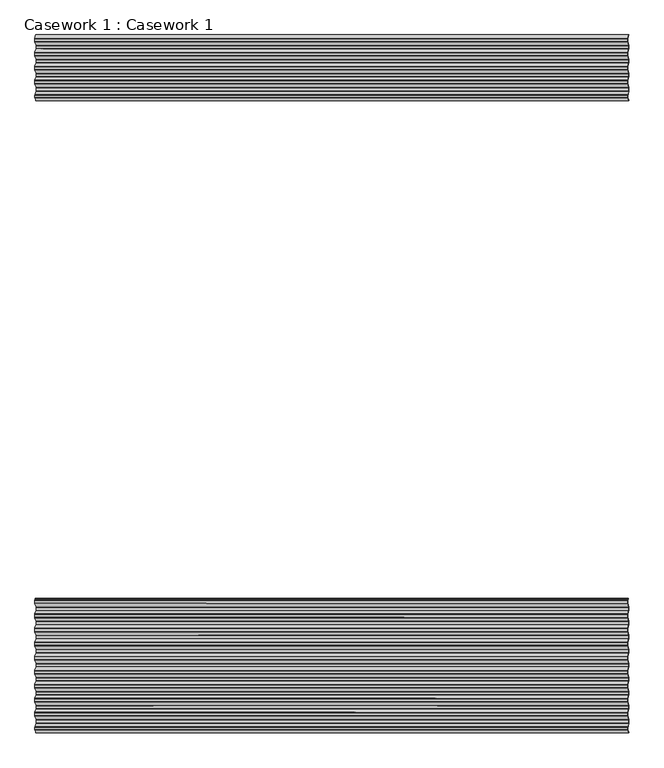
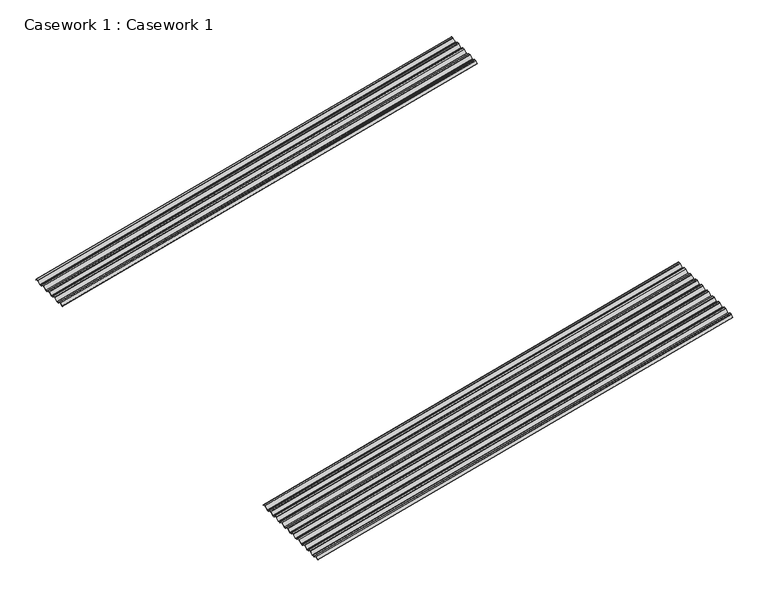
"""IFC4 building model written with IfcOpenShell, lengths in millimetres: furniture geometry, Casework 1 : Casework 1."""

import ifcopenshell
import ifcopenshell.guid

model = None  # the IFC model being written
_history = None  # IfcOwnerHistory: only IFC2X3 demands one
_inside = {}  # id of a spatial element -> (the spatial element, [elements in it])
_under = {}  # id of a project, library or spatial element -> (it, [spatial elements below it])
_declared = {}  # id of a project -> (the project, [libraries it declares])
_typed = {}  # id of a type object -> (the type object, [elements of that type])
_made_of = {}  # id of a material, layer set ... -> (it, [elements and type objects made of it])


def new_model(schema):
    """Start an empty IFC model of exactly this schema.

    Asked for "IFC4X3", IfcOpenShell would pick the latest addendum, in which some entities
    have other attributes; the version numbers below select the first issue.
    IFC2X3 requires an IfcOwnerHistory on every rooted entity: one is made here for all.
    """
    global model, _history
    if schema == "IFC4X3":
        model = ifcopenshell.file(schema_version=(4, 3, 0, 0))
    else:
        model = ifcopenshell.file(schema=schema)
    _inside.clear()
    _under.clear()
    _declared.clear()
    _typed.clear()
    _made_of.clear()
    _history = None
    if model.schema == "IFC2X3":
        org = make("IfcOrganization", Name="unknown")
        user = make(
            "IfcPersonAndOrganization",
            ThePerson=make("IfcPerson", FamilyName="unknown"),
            TheOrganization=org,
        )
        app = make(
            "IfcApplication",
            ApplicationDeveloper=org,
            Version="unknown",
            ApplicationFullName="unknown",
            ApplicationIdentifier="unknown",
        )
        _history = make(
            "IfcOwnerHistory",
            OwningUser=user,
            OwningApplication=app,
            ChangeAction="ADDED",
            CreationDate=0,
        )
    return model


def make(cls, **values):
    """One entity of the class cls with the attributes given. An attribute that is None is left unset."""
    return model.create_entity(
        cls, **{name: value for name, value in values.items() if value is not None}
    )


def rooted(cls, **values):
    """An entity with a GlobalId (a new one), such as an element, a storey or a relation."""
    return make(cls, GlobalId=ifcopenshell.guid.new(), OwnerHistory=_history, **values)


def si_unit(unit_type, name, prefix=None):
    """IfcSIUnit, for example si_unit("LENGTHUNIT", "METRE", prefix="MILLI")."""
    return make("IfcSIUnit", UnitType=unit_type, Prefix=prefix, Name=name)


def assignment(units):
    """IfcUnitAssignment: the units of a project."""
    return None if units is None else make("IfcUnitAssignment", Units=units)


def point(xyz):
    """IfcCartesianPoint."""
    return None if xyz is None else make("IfcCartesianPoint", Coordinates=xyz)


def direction(xyz):
    """IfcDirection."""
    return None if xyz is None else make("IfcDirection", DirectionRatios=xyz)


def frame(location, z_axis=None, x_axis=None):
    """IfcAxis2Placement3D, a coordinate frame: its origin and axes. An axis left out is left unset."""
    return make(
        "IfcAxis2Placement3D",
        Location=point(location),
        Axis=direction(z_axis),
        RefDirection=direction(x_axis),
    )


def frame_2d(location, x_axis=None):
    """IfcAxis2Placement2D, a coordinate frame in the plane: its origin and x axis."""
    return make(
        "IfcAxis2Placement2D", Location=point(location), RefDirection=direction(x_axis)
    )


def origin():
    """The frame at (0, 0, 0) with its axes left unset."""
    return frame((0.0, 0.0, 0.0))


def place(relative_to, where):
    """IfcLocalPlacement: puts the frame where relative to a parent placement (None: the world)."""
    return make(
        "IfcLocalPlacement", PlacementRelTo=relative_to, RelativePlacement=where
    )


def context(
    kind, dimensions, precision=None, world=None, true_north=None, identifier=None
):
    """IfcGeometricRepresentationContext, for example the 3D "Model" context."""
    return make(
        "IfcGeometricRepresentationContext",
        ContextIdentifier=identifier,
        ContextType=kind,
        CoordinateSpaceDimension=dimensions,
        Precision=precision,
        WorldCoordinateSystem=world,
        TrueNorth=true_north,
    )


def project(units=None, contexts=None):
    """IfcProject with its units and contexts."""
    return rooted(
        "IfcProject",
        Name="project",
        RepresentationContexts=contexts,
        UnitsInContext=assignment(units),
    )


def spatial(cls, under=None, at=None, **own):
    """A site, building, storey or space (cls), placed at a placement, below another one or the project."""
    s = rooted(cls, ObjectPlacement=at, **own)
    if under is not None:
        _under.setdefault(under.id(), (under, []))[1].append(s)
    return s


def polyline(points):
    """IfcPolyline through the points."""
    return make("IfcPolyline", Points=[point(p) for p in points])


def circle_curve(where, radius):
    """IfcCircle in the frame where."""
    return make("IfcCircle", Position=where, Radius=radius)


def trimmed(basis, trim1, trim2, sense, master):
    """IfcTrimmedCurve: the piece of a basis curve between two trims."""
    return make(
        "IfcTrimmedCurve",
        BasisCurve=basis,
        Trim1=trim1,
        Trim2=trim2,
        SenseAgreement=sense,
        MasterRepresentation=master,
    )


def segment(curve, same_sense, transition):
    """IfcCompositeCurveSegment."""
    return make(
        "IfcCompositeCurveSegment",
        Transition=transition,
        SameSense=same_sense,
        ParentCurve=curve,
    )


def composite_curve(segments, self_intersect=None):
    """IfcCompositeCurve: segments joined end to end."""
    return make("IfcCompositeCurve", Segments=segments, SelfIntersect=self_intersect)


def outline(outer, holes=None, kind="AREA"):
    """IfcArbitraryClosedProfileDef: a profile drawn as a closed curve; with holes, ...WithVoids."""
    if holes is None:
        return make("IfcArbitraryClosedProfileDef", ProfileType=kind, OuterCurve=outer)
    return make(
        "IfcArbitraryProfileDefWithVoids",
        ProfileType=kind,
        OuterCurve=outer,
        InnerCurves=holes,
    )


def extrude(swept, where, along, depth):
    """IfcExtrudedAreaSolid: the profile swept, set in the frame where, extruded along a direction by depth."""
    return make(
        "IfcExtrudedAreaSolid",
        SweptArea=swept,
        Position=where,
        ExtrudedDirection=direction(along),
        Depth=depth,
    )


def shape(context_of_items, identifier, shape_type, items):
    """IfcShapeRepresentation: the items that make up one representation, for example the "Body"."""
    return make(
        "IfcShapeRepresentation",
        ContextOfItems=context_of_items,
        RepresentationIdentifier=identifier,
        RepresentationType=shape_type,
        Items=items,
    )


def source(mapping_origin, context_of_items, identifier, shape_type, items):
    """IfcRepresentationMap: a shape defined once, which mapped items show again and again."""
    return make(
        "IfcRepresentationMap",
        MappingOrigin=mapping_origin,
        MappedRepresentation=shape(context_of_items, identifier, shape_type, items),
    )


def transform(
    local_origin,
    x_axis=None,
    y_axis=None,
    z_axis=None,
    scale=None,
    scale2=None,
    scale3=None,
    uniform=True,
):
    """IfcCartesianTransformationOperator3D, or its non-uniform kind. x_axis, y_axis, z_axis: its Axis1, 2, 3."""
    if uniform:
        return make(
            "IfcCartesianTransformationOperator3D",
            Axis1=direction(x_axis),
            Axis2=direction(y_axis),
            LocalOrigin=point(local_origin),
            Scale=scale,
            Axis3=direction(z_axis),
        )
    return make(
        "IfcCartesianTransformationOperator3DnonUniform",
        Axis1=direction(x_axis),
        Axis2=direction(y_axis),
        LocalOrigin=point(local_origin),
        Scale=scale,
        Axis3=direction(z_axis),
        Scale2=scale2,
        Scale3=scale3,
    )


def mapped(mapping_source, mapping_target):
    """IfcMappedItem: shows the shape of a source again, moved by a transform."""
    return make(
        "IfcMappedItem", MappingSource=mapping_source, MappingTarget=mapping_target
    )


def made_of(thing, what):
    """Note that an element or type object is made of a material, layer set ...; save() writes the relation."""
    if what is not None:
        _made_of.setdefault(what.id(), (what, []))[1].append(thing)
    return thing


def element(
    cls,
    number,
    at=None,
    inside=None,
    cuts=None,
    type_object=None,
    material=None,
    context=None,
    identifier="Body",
    shape_type=None,
    held_by="IfcProductDefinitionShape",
    body=None,
    shapes=None,
    **own,
):
    """One element of the class cls, such as IfcWall. Its Tag is "e" and its number.

    at: its placement. inside: the storey or other place that contains it. cuts: it is an
    opening in that element (IfcRelVoidsElement). A single representation is given by context,
    identifier, shape_type and body (its items); several are given by shapes. held_by: the class
    of the entity that holds the representations. save() writes the other relations.
    """
    e = rooted(cls, Tag="e%d" % number, ObjectPlacement=at, **own)
    if body is not None:
        shapes = [shape(context, identifier, shape_type, body)]
    if shapes is not None:
        e.Representation = make(held_by, Representations=shapes)
    if inside is not None:
        _inside.setdefault(inside.id(), (inside, []))[1].append(e)
    if cuts is not None:
        rooted(
            "IfcRelVoidsElement", RelatingBuildingElement=cuts, RelatedOpeningElement=e
        )
    if type_object is not None:
        _typed.setdefault(type_object.id(), (type_object, []))[1].append(e)
    return made_of(e, material)


def aggregate(whole, parts):
    """IfcRelAggregates: a whole, such as a stair, and the parts it consists of."""
    return rooted("IfcRelAggregates", RelatingObject=whole, RelatedObjects=parts)


def save(model, path):
    """Write the relations noted so far, then the file.

    IfcRelAggregates (storeys below a building ...), IfcRelContainedInSpatialStructure (elements
    in a storey), IfcRelDefinesByType, IfcRelAssociatesMaterial and IfcRelDeclares: one each for
    every whole, place, type object, material and project.
    """
    for whole, parts in _under.values():
        aggregate(whole, parts)
    for where, things in _inside.values():
        rooted(
            "IfcRelContainedInSpatialStructure",
            RelatedElements=things,
            RelatingStructure=where,
        )
    for kind, things in _typed.values():
        rooted("IfcRelDefinesByType", RelatedObjects=things, RelatingType=kind)
    for what, things in _made_of.values():
        rooted("IfcRelAssociatesMaterial", RelatedObjects=things, RelatingMaterial=what)
    for by, libraries in _declared.values():
        rooted("IfcRelDeclares", RelatingContext=by, RelatedDefinitions=libraries)
    model.write(path)


def casework_1_casework_1_58c513e3(model_context):
    return source(origin(), model_context, "Body", "SweptSolid", [
        extrude(outline(composite_curve([segment(trimmed(circle_curve(frame_2d((476.608, -28.25)), 3.0), [point((474.3143496, -30.1836928))], [point((476.608, -31.2499999))], True, "CARTESIAN"), True, "CONTINUOUS"), segment(polyline([(476.608, -31.2499999), (495.6080005, -31.2499994)]), True, "CONTINUOUS"), segment(trimmed(circle_curve(frame_2d((495.6080004, -28.2499995)), 3.0), [point((495.6080005, -31.2499994))], [point((497.9016504, -30.1836928))], True, "CARTESIAN"), True, "CONTINUOUS"), segment(polyline([(497.9016504, -30.1836928), (522.1446222, -1.4278964)]), True, "CONTINUOUS"), segment(trimmed(circle_curve(frame_2d((525.208, -4.0)), 4.0), [point((522.1446222, -1.4278964))], [point((525.208, 0.0))], False, "CARTESIAN"), True, "CONTINUOUS"), segment(polyline([(525.208, 0.0), (544.232, 0.0)]), True, "CONTINUOUS"), segment(trimmed(circle_curve(frame_2d((544.232, -4.0)), 4.0), [point((544.232, 0.0))], [point((547.2953777, -1.4278964))], False, "CARTESIAN"), True, "CONTINUOUS"), segment(polyline([(547.2953777, -1.4278964), (571.5332537, -30.1776317)]), True, "CONTINUOUS"), segment(trimmed(circle_curve(frame_2d((573.832, -28.2499995)), 3.0), [point((571.5332537, -30.1776317))], [point((573.8319999, -31.2499994))], True, "CARTESIAN"), True, "CONTINUOUS"), segment(polyline([(573.8319999, -31.2499994), (592.8319999, -31.2499999)]), True, "CONTINUOUS"), segment(trimmed(circle_curve(frame_2d((592.832, -28.25)), 3.0), [point((592.8319999, -31.2499999))], [point((595.1308259, -30.1775372))], True, "CARTESIAN"), True, "CONTINUOUS"), segment(polyline([(595.1308259, -30.1775372), (619.3686222, -1.4278964)]), True, "CONTINUOUS"), segment(trimmed(circle_curve(frame_2d((622.432, -4.0)), 4.0), [point((619.3686222, -1.4278964))], [point((622.432, 0.0))], False, "CARTESIAN"), True, "CONTINUOUS"), segment(polyline([(622.432, 0.0), (641.454, 0.0)]), True, "CONTINUOUS"), segment(trimmed(circle_curve(frame_2d((641.454, -4.0)), 4.0), [point((641.454, 0.0))], [point((644.5173777, -1.4278964))], False, "CARTESIAN"), True, "CONTINUOUS"), segment(polyline([(644.5173777, -1.4278964), (668.7552537, -30.1776317)]), True, "CONTINUOUS"), segment(trimmed(circle_curve(frame_2d((671.054, -28.2499995)), 3.0), [point((668.7552537, -30.1776317))], [point((671.0539999, -31.2499994))], True, "CARTESIAN"), True, "CONTINUOUS"), segment(polyline([(671.0539999, -31.2499994), (690.0539999, -31.2499999)]), True, "CONTINUOUS"), segment(trimmed(circle_curve(frame_2d((690.054, -28.25)), 3.0), [point((690.0539999, -31.2499999))], [point((692.3528259, -30.1775372))], True, "CARTESIAN"), True, "CONTINUOUS"), segment(polyline([(692.3528259, -30.1775372), (716.5906222, -1.4278964)]), True, "CONTINUOUS"), segment(trimmed(circle_curve(frame_2d((719.654, -4.0)), 4.0), [point((716.5906222, -1.4278964))], [point((719.654, 0.0))], False, "CARTESIAN"), True, "CONTINUOUS"), segment(polyline([(719.654, 0.0), (738.676, 0.0)]), True, "CONTINUOUS"), segment(trimmed(circle_curve(frame_2d((738.676, -4.0)), 4.0), [point((738.676, 0.0))], [point((741.7393777, -1.4278964))], False, "CARTESIAN"), True, "CONTINUOUS"), segment(polyline([(741.7393777, -1.4278964), (765.9772537, -30.1776317)]), True, "CONTINUOUS"), segment(trimmed(circle_curve(frame_2d((768.276, -28.2499995)), 3.0), [point((765.9772537, -30.1776317))], [point((768.2759999, -31.2499994))], True, "CARTESIAN"), True, "CONTINUOUS"), segment(polyline([(768.2759999, -31.2499994), (787.2759999, -31.2499999)]), True, "CONTINUOUS"), segment(trimmed(circle_curve(frame_2d((787.276, -28.25)), 3.0), [point((787.2759999, -31.2499999))], [point((789.5748259, -30.1775372))], True, "CARTESIAN"), True, "CONTINUOUS"), segment(polyline([(789.5748259, -30.1775372), (813.8126222, -1.4278964)]), True, "CONTINUOUS"), segment(trimmed(circle_curve(frame_2d((816.876, -4.0)), 4.0), [point((813.8126222, -1.4278964))], [point((816.876, 0.0))], False, "CARTESIAN"), True, "CONTINUOUS"), segment(polyline([(816.876, 0.0), (838.6568295, 0.0)]), True, "CONTINUOUS"), segment(trimmed(circle_curve(frame_2d((838.6568295, -4.0)), 4.0), [point((838.6568295, 0.0))], [point((841.7061337, -1.4112273))], False, "CARTESIAN"), True, "CONTINUOUS"), segment(polyline([(841.7061337, -1.4112273), (861.8350701, -25.25), (863.7304827, -25.25)]), True, "CONTINUOUS"), segment(trimmed(circle_curve(frame_2d((863.7304827, -27.2499999)), 2.0), [point((863.7304827, -25.25))], [point((865.2683143, -25.9712999))], False, "CARTESIAN"), True, "CONTINUOUS"), segment(polyline([(865.2683143, -25.9712999), (868.0010641, -29.2578479), (883.4536327, -29.25)]), True, "CONTINUOUS"), segment(trimmed(circle_curve(frame_2d((883.4536327, -26.25)), 3.0), [point((883.4536327, -29.25))], [point((885.7420901, -28.1898358))], True, "CARTESIAN"), True, "CONTINUOUS"), segment(polyline([(885.7420901, -28.1898358), (904.8739638, -5.4965708)]), True, "CONTINUOUS"), segment(trimmed(circle_curve(frame_2d((905.2059099, -5.8742903)), 0.5028521), [point((904.8739638, -5.4965708))], [point((905.5969394, -6.1904487))], False, "CARTESIAN"), True, "CONTINUOUS"), segment(polyline([(905.5969394, -6.1904487), (886.5178105, -28.8211504)]), True, "CONTINUOUS"), segment(trimmed(circle_curve(frame_2d((883.4536327, -26.25)), 4.0), [point((886.5178105, -28.8211504))], [point((883.4536327, -30.25))], False, "CARTESIAN"), True, "CONTINUOUS"), segment(polyline([(883.4536327, -30.25), (868.001572, -30.2578476)]), True, "CONTINUOUS"), segment(trimmed(circle_curve(frame_2d((868.0010641, -29.2578479)), 1.0), [point((868.001572, -30.2578476))], [point((867.2321483, -29.8971979))], False, "CARTESIAN"), True, "CONTINUOUS"), segment(polyline([(867.2321483, -29.8971979), (864.4993985, -26.6106499)]), True, "CONTINUOUS"), segment(trimmed(circle_curve(frame_2d((863.7304827, -27.2499999)), 1.0), [point((864.4993985, -26.6106499))], [point((863.7304827, -26.25))], True, "CARTESIAN"), True, "CONTINUOUS"), segment(polyline([(863.7304827, -26.25), (861.3706417, -26.25), (840.9549628, -2.0716371)]), True, "CONTINUOUS"), segment(trimmed(circle_curve(frame_2d((838.6568295, -4.0)), 3.0), [point((840.9549628, -2.0716371))], [point((838.6568295, -1.0))], True, "CARTESIAN"), True, "CONTINUOUS"), segment(polyline([(838.6568295, -1.0), (816.876, -1.0)]), True, "CONTINUOUS"), segment(trimmed(circle_curve(frame_2d((816.876, -4.0)), 3.0), [point((816.876, -1.0))], [point((814.5778666, -2.0716371))], True, "CARTESIAN"), True, "CONTINUOUS"), segment(polyline([(814.5778666, -2.0716371), (790.3401777, -30.8211505)]), True, "CONTINUOUS"), segment(trimmed(circle_curve(frame_2d((787.276, -28.25)), 4.0), [point((790.3401777, -30.8211505))], [point((787.276, -32.25))], False, "CARTESIAN"), True, "CONTINUOUS"), segment(polyline([(787.276, -32.25), (768.276, -32.25)]), True, "CONTINUOUS"), segment(trimmed(circle_curve(frame_2d((768.276, -28.25)), 4.0), [point((768.276, -32.25))], [point((765.2118222, -30.8211505))], False, "CARTESIAN"), True, "CONTINUOUS"), segment(polyline([(765.2118222, -30.8211505), (740.9741333, -2.0716371)]), True, "CONTINUOUS"), segment(trimmed(circle_curve(frame_2d((738.676, -4.0)), 3.0), [point((740.9741333, -2.0716371))], [point((738.676, -1.0))], True, "CARTESIAN"), True, "CONTINUOUS"), segment(polyline([(738.676, -1.0), (719.654, -1.0)]), True, "CONTINUOUS"), segment(trimmed(circle_curve(frame_2d((719.654, -4.0)), 3.0), [point((719.654, -1.0))], [point((717.3558666, -2.0716371))], True, "CARTESIAN"), True, "CONTINUOUS"), segment(polyline([(717.3558666, -2.0716371), (693.1181777, -30.8211505)]), True, "CONTINUOUS"), segment(trimmed(circle_curve(frame_2d((690.054, -28.25)), 4.0), [point((693.1181777, -30.8211505))], [point((690.054, -32.25))], False, "CARTESIAN"), True, "CONTINUOUS"), segment(polyline([(690.054, -32.25), (671.054, -32.25)]), True, "CONTINUOUS"), segment(trimmed(circle_curve(frame_2d((671.054, -28.25)), 4.0), [point((671.054, -32.25))], [point((667.9898222, -30.8211505))], False, "CARTESIAN"), True, "CONTINUOUS"), segment(polyline([(667.9898222, -30.8211505), (643.7521333, -2.0716371)]), True, "CONTINUOUS"), segment(trimmed(circle_curve(frame_2d((641.454, -4.0)), 3.0), [point((643.7521333, -2.0716371))], [point((641.454, -1.0))], True, "CARTESIAN"), True, "CONTINUOUS"), segment(polyline([(641.454, -1.0), (622.432, -1.0)]), True, "CONTINUOUS"), segment(trimmed(circle_curve(frame_2d((622.432, -4.0)), 3.0), [point((622.432, -1.0))], [point((620.1338666, -2.0716371))], True, "CARTESIAN"), True, "CONTINUOUS"), segment(polyline([(620.1338666, -2.0716371), (595.8961777, -30.8211505)]), True, "CONTINUOUS"), segment(trimmed(circle_curve(frame_2d((592.832, -28.25)), 4.0), [point((595.8961777, -30.8211505))], [point((592.832, -32.25))], False, "CARTESIAN"), True, "CONTINUOUS"), segment(polyline([(592.832, -32.25), (573.832, -32.25)]), True, "CONTINUOUS"), segment(trimmed(circle_curve(frame_2d((573.832, -28.25)), 4.0), [point((573.832, -32.25))], [point((570.7678222, -30.8211505))], False, "CARTESIAN"), True, "CONTINUOUS"), segment(polyline([(570.7678222, -30.8211505), (546.5301333, -2.0716371)]), True, "CONTINUOUS"), segment(trimmed(circle_curve(frame_2d((544.232, -4.0)), 3.0), [point((546.5301333, -2.0716371))], [point((544.232, -1.0))], True, "CARTESIAN"), True, "CONTINUOUS"), segment(polyline([(544.232, -1.0), (525.208, -1.0)]), True, "CONTINUOUS"), segment(trimmed(circle_curve(frame_2d((525.208, -4.0)), 3.0), [point((525.208, -1.0))], [point((522.9098666, -2.0716371))], True, "CARTESIAN"), True, "CONTINUOUS"), segment(polyline([(522.9098666, -2.0716371), (498.6661999, -30.8282577)]), True, "CONTINUOUS"), segment(trimmed(circle_curve(frame_2d((495.608, -28.25)), 4.0), [point((498.6661999, -30.8282577))], [point((495.608, -32.25))], False, "CARTESIAN"), True, "CONTINUOUS"), segment(polyline([(495.608, -32.25), (476.608, -32.25)]), True, "CONTINUOUS"), segment(trimmed(circle_curve(frame_2d((476.608, -28.25)), 4.0), [point((476.608, -32.25))], [point((473.5497995, -30.8282571))], False, "CARTESIAN"), True, "CONTINUOUS"), segment(polyline([(473.5497995, -30.8282571), (451.3178043, -4.4577688), (451.3178043, -2.9063332), (474.3143496, -30.1836928)]), True, "CONTINUOUS")], self_intersect=False)), frame((-900.7024995, 5341.3178043, 5069.684833), z_axis=(0.9659258262891571, 0.0, 0.25881904510218945), x_axis=(0.0, -1.0, 0.0)), (0.0, 0.0, 1.0), 4250.0),
        extrude(outline(composite_curve([segment(polyline([(-18.2436099, -22.4266797), (-18.4490736, -24.6598886), (-16.2158647, -24.8653523), (-11.7967966, -30.1799547)]), True, "CONTINUOUS"), segment(trimmed(circle_curve(frame_2d((-9.5, -28.25)), 3.0), [point((-11.7967966, -30.1799547))], [point((-9.5, -31.2499999))], True, "CARTESIAN"), True, "CONTINUOUS"), segment(polyline([(-9.5, -31.2499999), (9.5000005, -31.2499994)]), True, "CONTINUOUS"), segment(trimmed(circle_curve(frame_2d((9.5000004, -28.2499995)), 3.0), [point((9.5000005, -31.2499994))], [point((11.7936508, -30.1836923))], True, "CARTESIAN"), True, "CONTINUOUS"), segment(polyline([(11.7936508, -30.1836923), (36.0417995, -1.4217428)]), True, "CONTINUOUS"), segment(trimmed(circle_curve(frame_2d((39.1, -4.0)), 4.0), [point((36.0417995, -1.4217428))], [point((39.1, 0.0))], False, "CARTESIAN"), True, "CONTINUOUS"), segment(polyline([(39.1, 0.0), (58.12, 0.0)]), True, "CONTINUOUS"), segment(trimmed(circle_curve(frame_2d((58.12, -4.0)), 4.0), [point((58.12, 0.0))], [point((61.1781997, -1.421742))], False, "CARTESIAN"), True, "CONTINUOUS"), segment(polyline([(61.1781997, -1.421742), (85.4212538, -30.1776317)]), True, "CONTINUOUS"), segment(trimmed(circle_curve(frame_2d((87.72, -28.2499995)), 3.0), [point((85.4212538, -30.1776317))], [point((87.7199999, -31.2499994))], True, "CARTESIAN"), True, "CONTINUOUS"), segment(polyline([(87.7199999, -31.2499994), (106.7199999, -31.2499999)]), True, "CONTINUOUS"), segment(trimmed(circle_curve(frame_2d((106.72, -28.25)), 3.0), [point((106.7199999, -31.2499999))], [point((109.0188258, -30.1775372))], True, "CARTESIAN"), True, "CONTINUOUS"), segment(polyline([(109.0188258, -30.1775372), (133.2566222, -1.4278964)]), True, "CONTINUOUS"), segment(trimmed(circle_curve(frame_2d((136.32, -4.0)), 4.0), [point((133.2566222, -1.4278964))], [point((136.32, 0.0))], False, "CARTESIAN"), True, "CONTINUOUS"), segment(polyline([(136.32, 0.0), (155.342, 0.0)]), True, "CONTINUOUS"), segment(trimmed(circle_curve(frame_2d((155.342, -4.0)), 4.0), [point((155.342, 0.0))], [point((158.4053777, -1.4278964))], False, "CARTESIAN"), True, "CONTINUOUS"), segment(polyline([(158.4053777, -1.4278964), (182.6432537, -30.1776317)]), True, "CONTINUOUS"), segment(trimmed(circle_curve(frame_2d((184.942, -28.2499995)), 3.0), [point((182.6432537, -30.1776317))], [point((184.942, -31.2499994))], True, "CARTESIAN"), True, "CONTINUOUS"), segment(polyline([(184.942, -31.2499994), (203.9402475, -31.2499994)]), True, "CONTINUOUS"), segment(trimmed(circle_curve(frame_2d((203.942, -28.25)), 3.0), [point((203.9402475, -31.2499994))], [point((206.2356503, -30.1836928))], True, "CARTESIAN"), True, "CONTINUOUS"), segment(polyline([(206.2356503, -30.1836928), (230.4837995, -1.4217428)]), True, "CONTINUOUS"), segment(trimmed(circle_curve(frame_2d((233.542, -4.0)), 4.0), [point((230.4837995, -1.4217428))], [point((233.542, 0.0))], False, "CARTESIAN"), True, "CONTINUOUS"), segment(polyline([(233.542, 0.0), (252.564, 0.0)]), True, "CONTINUOUS"), segment(trimmed(circle_curve(frame_2d((252.564, -4.0)), 4.0), [point((252.564, 0.0))], [point((255.6273777, -1.4278964))], False, "CARTESIAN"), True, "CONTINUOUS"), segment(polyline([(255.6273777, -1.4278964), (279.8652537, -30.1776317)]), True, "CONTINUOUS"), segment(trimmed(circle_curve(frame_2d((282.164, -28.2499995)), 3.0), [point((279.8652537, -30.1776317))], [point((282.164, -31.2499994))], True, "CARTESIAN"), True, "CONTINUOUS"), segment(polyline([(282.164, -31.2499994), (301.1622475, -31.2499994)]), True, "CONTINUOUS"), segment(trimmed(circle_curve(frame_2d((301.164, -28.25)), 3.0), [point((301.1622475, -31.2499994))], [point((303.4576499, -30.1836933))], True, "CARTESIAN"), True, "CONTINUOUS"), segment(polyline([(303.4576499, -30.1836933), (327.7006222, -1.4278964)]), True, "CONTINUOUS"), segment(trimmed(circle_curve(frame_2d((330.764, -4.0)), 4.0), [point((327.7006222, -1.4278964))], [point((330.764, 0.0))], False, "CARTESIAN"), True, "CONTINUOUS"), segment(polyline([(330.764, 0.0), (349.786, 0.0)]), True, "CONTINUOUS"), segment(trimmed(circle_curve(frame_2d((349.786, -4.0)), 4.0), [point((349.786, 0.0))], [point((352.8493777, -1.4278964))], False, "CARTESIAN"), True, "CONTINUOUS"), segment(polyline([(352.8493777, -1.4278964), (377.0872537, -30.1776317)]), True, "CONTINUOUS"), segment(trimmed(circle_curve(frame_2d((379.386, -28.2499995)), 3.0), [point((377.0872537, -30.1776317))], [point((379.3859999, -31.2499994))], True, "CARTESIAN"), True, "CONTINUOUS"), segment(polyline([(379.3859999, -31.2499994), (398.3859999, -31.2499999)]), True, "CONTINUOUS"), segment(trimmed(circle_curve(frame_2d((398.386, -28.25)), 3.0), [point((398.3859999, -31.2499999))], [point((400.6848258, -30.1775373))], True, "CARTESIAN"), True, "CONTINUOUS"), segment(polyline([(400.6848258, -30.1775373), (424.9278002, -1.421742)]), True, "CONTINUOUS"), segment(trimmed(circle_curve(frame_2d((427.986, -4.0)), 4.0), [point((424.9278002, -1.421742))], [point((427.986, 0.0))], False, "CARTESIAN"), True, "CONTINUOUS"), segment(polyline([(427.986, 0.0), (447.008, 0.0)]), True, "CONTINUOUS"), segment(trimmed(circle_curve(frame_2d((447.008, -4.0)), 4.0), [point((447.008, 0.0))], [point((450.0662005, -1.4217428))], False, "CARTESIAN"), True, "CONTINUOUS"), segment(polyline([(450.0662005, -1.4217428), (474.3143496, -30.1836928)]), True, "CONTINUOUS"), segment(trimmed(circle_curve(frame_2d((476.608, -28.25)), 3.0), [point((474.3143496, -30.1836928))], [point((476.608, -31.2499999))], True, "CARTESIAN"), True, "CONTINUOUS"), segment(polyline([(476.608, -31.2499999), (495.6080005, -31.2499994)]), True, "CONTINUOUS"), segment(trimmed(circle_curve(frame_2d((495.6080004, -28.2499995)), 3.0), [point((495.6080005, -31.2499994))], [point((497.9016503, -30.1836928))], True, "CARTESIAN"), True, "CONTINUOUS"), segment(polyline([(497.9016503, -30.1836928), (522.1446222, -1.4278964)]), True, "CONTINUOUS"), segment(trimmed(circle_curve(frame_2d((525.208, -4.0)), 4.0), [point((522.1446222, -1.4278964))], [point((525.208, 0.0))], False, "CARTESIAN"), True, "CONTINUOUS"), segment(polyline([(525.208, 0.0), (544.232, 0.0)]), True, "CONTINUOUS"), segment(trimmed(circle_curve(frame_2d((544.232, -4.0)), 4.0), [point((544.232, 0.0))], [point((547.2953777, -1.4278964))], False, "CARTESIAN"), True, "CONTINUOUS"), segment(polyline([(547.2953777, -1.4278964), (571.5332537, -30.1776317)]), True, "CONTINUOUS"), segment(trimmed(circle_curve(frame_2d((573.832, -28.2499995)), 3.0), [point((571.5332537, -30.1776317))], [point((573.8319999, -31.2499994))], True, "CARTESIAN"), True, "CONTINUOUS"), segment(polyline([(573.8319999, -31.2499994), (592.8319999, -31.2499999)]), True, "CONTINUOUS"), segment(trimmed(circle_curve(frame_2d((592.832, -28.25)), 3.0), [point((592.8319999, -31.2499999))], [point((595.1308258, -30.1775372))], True, "CARTESIAN"), True, "CONTINUOUS"), segment(polyline([(595.1308258, -30.1775372), (619.3686222, -1.4278964)]), True, "CONTINUOUS"), segment(trimmed(circle_curve(frame_2d((622.432, -4.0)), 4.0), [point((619.3686222, -1.4278964))], [point((622.432, 0.0))], False, "CARTESIAN"), True, "CONTINUOUS"), segment(polyline([(622.432, 0.0), (641.454, 0.0)]), True, "CONTINUOUS"), segment(trimmed(circle_curve(frame_2d((641.454, -4.0)), 4.0), [point((641.454, 0.0))], [point((644.5173777, -1.4278964))], False, "CARTESIAN"), True, "CONTINUOUS"), segment(polyline([(644.5173777, -1.4278964), (668.7552537, -30.1776317)]), True, "CONTINUOUS"), segment(trimmed(circle_curve(frame_2d((671.054, -28.2499995)), 3.0), [point((668.7552537, -30.1776317))], [point((671.0539999, -31.2499994))], True, "CARTESIAN"), True, "CONTINUOUS"), segment(polyline([(671.0539999, -31.2499994), (690.0539999, -31.2499999)]), True, "CONTINUOUS"), segment(trimmed(circle_curve(frame_2d((690.054, -28.25)), 3.0), [point((690.0539999, -31.2499999))], [point((692.3528258, -30.1775372))], True, "CARTESIAN"), True, "CONTINUOUS"), segment(polyline([(692.3528258, -30.1775372), (716.5906222, -1.4278964)]), True, "CONTINUOUS"), segment(trimmed(circle_curve(frame_2d((719.654, -4.0)), 4.0), [point((716.5906222, -1.4278964))], [point((719.654, 0.0))], False, "CARTESIAN"), True, "CONTINUOUS"), segment(polyline([(719.654, 0.0), (738.676, 0.0)]), True, "CONTINUOUS"), segment(trimmed(circle_curve(frame_2d((738.676, -4.0)), 4.0), [point((738.676, 0.0))], [point((741.7393777, -1.4278964))], False, "CARTESIAN"), True, "CONTINUOUS"), segment(polyline([(741.7393777, -1.4278964), (765.9772537, -30.1776317)]), True, "CONTINUOUS"), segment(trimmed(circle_curve(frame_2d((768.276, -28.2499995)), 3.0), [point((765.9772537, -30.1776317))], [point((768.2759999, -31.2499994))], True, "CARTESIAN"), True, "CONTINUOUS"), segment(polyline([(768.2759999, -31.2499994), (787.2759999, -31.2499999)]), True, "CONTINUOUS"), segment(trimmed(circle_curve(frame_2d((787.276, -28.25)), 3.0), [point((787.2759999, -31.2499999))], [point((789.5748258, -30.1775372))], True, "CARTESIAN"), True, "CONTINUOUS"), segment(polyline([(789.5748258, -30.1775372), (813.8126222, -1.4278964)]), True, "CONTINUOUS"), segment(trimmed(circle_curve(frame_2d((816.876, -4.0)), 4.0), [point((813.8126222, -1.4278964))], [point((816.876, 0.0))], False, "CARTESIAN"), True, "CONTINUOUS"), segment(polyline([(816.876, 0.0), (838.6568295, 0.0)]), True, "CONTINUOUS"), segment(trimmed(circle_curve(frame_2d((838.6568295, -4.0)), 4.0), [point((838.6568295, 0.0))], [point((841.7061337, -1.4112273))], False, "CARTESIAN"), True, "CONTINUOUS"), segment(polyline([(841.7061337, -1.4112273), (861.8350701, -25.25), (863.7304827, -25.25)]), True, "CONTINUOUS"), segment(trimmed(circle_curve(frame_2d((863.7304827, -27.2499999)), 2.0), [point((863.7304827, -25.25))], [point((865.2683143, -25.9712999))], False, "CARTESIAN"), True, "CONTINUOUS"), segment(polyline([(865.2683143, -25.9712999), (868.0010641, -29.2578479), (883.4536327, -29.25)]), True, "CONTINUOUS"), segment(trimmed(circle_curve(frame_2d((883.4536327, -26.25)), 3.0), [point((883.4536327, -29.25))], [point((885.7420901, -28.1898358))], True, "CARTESIAN"), True, "CONTINUOUS"), segment(polyline([(885.7420901, -28.1898358), (904.8739638, -5.4965708)]), True, "CONTINUOUS"), segment(trimmed(circle_curve(frame_2d((905.2059099, -5.8742903)), 0.5028521), [point((904.8739638, -5.4965708))], [point((905.5969394, -6.1904487))], False, "CARTESIAN"), True, "CONTINUOUS"), segment(polyline([(905.5969394, -6.1904487), (886.5178105, -28.8211504)]), True, "CONTINUOUS"), segment(trimmed(circle_curve(frame_2d((883.4536327, -26.25)), 4.0), [point((886.5178105, -28.8211504))], [point((883.4536327, -30.25))], False, "CARTESIAN"), True, "CONTINUOUS"), segment(polyline([(883.4536327, -30.25), (868.001572, -30.2578476)]), True, "CONTINUOUS"), segment(trimmed(circle_curve(frame_2d((868.0010641, -29.2578479)), 1.0), [point((868.001572, -30.2578476))], [point((867.2321483, -29.8971979))], False, "CARTESIAN"), True, "CONTINUOUS"), segment(polyline([(867.2321483, -29.8971979), (864.4993985, -26.6106499)]), True, "CONTINUOUS"), segment(trimmed(circle_curve(frame_2d((863.7304827, -27.2499999)), 1.0), [point((864.4993985, -26.6106499))], [point((863.7304827, -26.25))], True, "CARTESIAN"), True, "CONTINUOUS"), segment(polyline([(863.7304827, -26.25), (861.3706417, -26.25), (840.9549628, -2.0716371)]), True, "CONTINUOUS"), segment(trimmed(circle_curve(frame_2d((838.6568295, -4.0)), 3.0), [point((840.9549628, -2.0716371))], [point((838.6568295, -1.0))], True, "CARTESIAN"), True, "CONTINUOUS"), segment(polyline([(838.6568295, -1.0), (816.876, -1.0)]), True, "CONTINUOUS"), segment(trimmed(circle_curve(frame_2d((816.876, -4.0)), 3.0), [point((816.876, -1.0))], [point((814.5778666, -2.0716371))], True, "CARTESIAN"), True, "CONTINUOUS"), segment(polyline([(814.5778666, -2.0716371), (790.3401777, -30.8211505)]), True, "CONTINUOUS"), segment(trimmed(circle_curve(frame_2d((787.276, -28.25)), 4.0), [point((790.3401777, -30.8211505))], [point((787.276, -32.25))], False, "CARTESIAN"), True, "CONTINUOUS"), segment(polyline([(787.276, -32.25), (768.276, -32.25)]), True, "CONTINUOUS"), segment(trimmed(circle_curve(frame_2d((768.276, -28.25)), 4.0), [point((768.276, -32.25))], [point((765.2118222, -30.8211505))], False, "CARTESIAN"), True, "CONTINUOUS"), segment(polyline([(765.2118222, -30.8211505), (740.9741333, -2.0716371)]), True, "CONTINUOUS"), segment(trimmed(circle_curve(frame_2d((738.676, -4.0)), 3.0), [point((740.9741333, -2.0716371))], [point((738.676, -1.0))], True, "CARTESIAN"), True, "CONTINUOUS"), segment(polyline([(738.676, -1.0), (719.654, -1.0)]), True, "CONTINUOUS"), segment(trimmed(circle_curve(frame_2d((719.654, -4.0)), 3.0), [point((719.654, -1.0))], [point((717.3558666, -2.0716371))], True, "CARTESIAN"), True, "CONTINUOUS"), segment(polyline([(717.3558666, -2.0716371), (693.1181777, -30.8211505)]), True, "CONTINUOUS"), segment(trimmed(circle_curve(frame_2d((690.054, -28.25)), 4.0), [point((693.1181777, -30.8211505))], [point((690.054, -32.25))], False, "CARTESIAN"), True, "CONTINUOUS"), segment(polyline([(690.054, -32.25), (671.054, -32.25)]), True, "CONTINUOUS"), segment(trimmed(circle_curve(frame_2d((671.054, -28.25)), 4.0), [point((671.054, -32.25))], [point((667.9898222, -30.8211505))], False, "CARTESIAN"), True, "CONTINUOUS"), segment(polyline([(667.9898222, -30.8211505), (643.7521333, -2.0716371)]), True, "CONTINUOUS"), segment(trimmed(circle_curve(frame_2d((641.454, -4.0)), 3.0), [point((643.7521333, -2.0716371))], [point((641.454, -1.0))], True, "CARTESIAN"), True, "CONTINUOUS"), segment(polyline([(641.454, -1.0), (622.432, -1.0)]), True, "CONTINUOUS"), segment(trimmed(circle_curve(frame_2d((622.432, -4.0)), 3.0), [point((622.432, -1.0))], [point((620.1338666, -2.0716371))], True, "CARTESIAN"), True, "CONTINUOUS"), segment(polyline([(620.1338666, -2.0716371), (595.8961777, -30.8211505)]), True, "CONTINUOUS"), segment(trimmed(circle_curve(frame_2d((592.832, -28.25)), 4.0), [point((595.8961777, -30.8211505))], [point((592.832, -32.25))], False, "CARTESIAN"), True, "CONTINUOUS"), segment(polyline([(592.832, -32.25), (573.832, -32.25)]), True, "CONTINUOUS"), segment(trimmed(circle_curve(frame_2d((573.832, -28.25)), 4.0), [point((573.832, -32.25))], [point((570.7678222, -30.8211505))], False, "CARTESIAN"), True, "CONTINUOUS"), segment(polyline([(570.7678222, -30.8211505), (546.5301333, -2.0716371)]), True, "CONTINUOUS"), segment(trimmed(circle_curve(frame_2d((544.232, -4.0)), 3.0), [point((546.5301333, -2.0716371))], [point((544.232, -1.0))], True, "CARTESIAN"), True, "CONTINUOUS"), segment(polyline([(544.232, -1.0), (525.208, -1.0)]), True, "CONTINUOUS"), segment(trimmed(circle_curve(frame_2d((525.208, -4.0)), 3.0), [point((525.208, -1.0))], [point((522.9098666, -2.0716371))], True, "CARTESIAN"), True, "CONTINUOUS"), segment(polyline([(522.9098666, -2.0716371), (498.6661999, -30.8282577)]), True, "CONTINUOUS"), segment(trimmed(circle_curve(frame_2d((495.608, -28.25)), 4.0), [point((498.6661999, -30.8282577))], [point((495.608, -32.25))], False, "CARTESIAN"), True, "CONTINUOUS"), segment(polyline([(495.608, -32.25), (476.608, -32.25)]), True, "CONTINUOUS"), segment(trimmed(circle_curve(frame_2d((476.608, -28.25)), 4.0), [point((476.608, -32.25))], [point((473.5497995, -30.8282571))], False, "CARTESIAN"), True, "CONTINUOUS"), segment(polyline([(473.5497995, -30.8282571), (449.3016503, -2.0663071)]), True, "CONTINUOUS"), segment(trimmed(circle_curve(frame_2d((447.008, -4.0)), 3.0), [point((449.3016503, -2.0663071))], [point((447.008, -1.0))], True, "CARTESIAN"), True, "CONTINUOUS"), segment(polyline([(447.008, -1.0), (427.986, -1.0)]), True, "CONTINUOUS"), segment(trimmed(circle_curve(frame_2d((427.986, -4.0)), 3.0), [point((427.986, -1.0))], [point((425.6923501, -2.0663065))], True, "CARTESIAN"), True, "CONTINUOUS"), segment(polyline([(425.6923501, -2.0663065), (401.4501777, -30.8211505)]), True, "CONTINUOUS"), segment(trimmed(circle_curve(frame_2d((398.386, -28.25)), 4.0), [point((401.4501777, -30.8211505))], [point((398.386, -32.25))], False, "CARTESIAN"), True, "CONTINUOUS"), segment(polyline([(398.386, -32.25), (379.386, -32.25)]), True, "CONTINUOUS"), segment(trimmed(circle_curve(frame_2d((379.386, -28.25)), 4.0), [point((379.386, -32.25))], [point((376.3218222, -30.8211505))], False, "CARTESIAN"), True, "CONTINUOUS"), segment(polyline([(376.3218222, -30.8211505), (352.0841333, -2.0716371)]), True, "CONTINUOUS"), segment(trimmed(circle_curve(frame_2d((349.786, -4.0)), 3.0), [point((352.0841333, -2.0716371))], [point((349.786, -1.0))], True, "CARTESIAN"), True, "CONTINUOUS"), segment(polyline([(349.786, -1.0), (330.764, -1.0)]), True, "CONTINUOUS"), segment(trimmed(circle_curve(frame_2d((330.764, -4.0)), 3.0), [point((330.764, -1.0))], [point((328.4658666, -2.0716371))], True, "CARTESIAN"), True, "CONTINUOUS"), segment(polyline([(328.4658666, -2.0716371), (304.2221999, -30.8282577)]), True, "CONTINUOUS"), segment(trimmed(circle_curve(frame_2d((301.164, -28.25)), 4.0), [point((304.2221999, -30.8282577))], [point((301.164, -32.25))], False, "CARTESIAN"), True, "CONTINUOUS"), segment(polyline([(301.164, -32.25), (282.164, -32.25)]), True, "CONTINUOUS"), segment(trimmed(circle_curve(frame_2d((282.164, -28.25)), 4.0), [point((282.164, -32.25))], [point((279.0998222, -30.8211505))], False, "CARTESIAN"), True, "CONTINUOUS"), segment(polyline([(279.0998222, -30.8211505), (254.8621333, -2.0716371)]), True, "CONTINUOUS"), segment(trimmed(circle_curve(frame_2d((252.564, -4.0)), 3.0), [point((254.8621333, -2.0716371))], [point((252.564, -1.0))], True, "CARTESIAN"), True, "CONTINUOUS"), segment(polyline([(252.564, -1.0), (233.542, -1.0)]), True, "CONTINUOUS"), segment(trimmed(circle_curve(frame_2d((233.542, -4.0)), 3.0), [point((233.542, -1.0))], [point((231.2483496, -2.0663071))], True, "CARTESIAN"), True, "CONTINUOUS"), segment(polyline([(231.2483496, -2.0663071), (207.0002005, -30.8282571)]), True, "CONTINUOUS"), segment(trimmed(circle_curve(frame_2d((203.942, -28.25)), 4.0), [point((207.0002005, -30.8282571))], [point((203.942, -32.25))], False, "CARTESIAN"), True, "CONTINUOUS"), segment(polyline([(203.942, -32.25), (184.942, -32.25)]), True, "CONTINUOUS"), segment(trimmed(circle_curve(frame_2d((184.942, -28.25)), 4.0), [point((184.942, -32.25))], [point((181.8778222, -30.8211505))], False, "CARTESIAN"), True, "CONTINUOUS"), segment(polyline([(181.8778222, -30.8211505), (157.6401333, -2.0716371)]), True, "CONTINUOUS"), segment(trimmed(circle_curve(frame_2d((155.342, -4.0)), 3.0), [point((157.6401333, -2.0716371))], [point((155.342, -1.0))], True, "CARTESIAN"), True, "CONTINUOUS"), segment(polyline([(155.342, -1.0), (136.32, -1.0)]), True, "CONTINUOUS"), segment(trimmed(circle_curve(frame_2d((136.32, -4.0)), 3.0), [point((136.32, -1.0))], [point((134.0218666, -2.0716371))], True, "CARTESIAN"), True, "CONTINUOUS"), segment(polyline([(134.0218666, -2.0716371), (109.7841777, -30.8211505)]), True, "CONTINUOUS"), segment(trimmed(circle_curve(frame_2d((106.72, -28.25)), 4.0), [point((109.7841777, -30.8211505))], [point((106.72, -32.25))], False, "CARTESIAN"), True, "CONTINUOUS"), segment(polyline([(106.72, -32.25), (87.72, -32.25)]), True, "CONTINUOUS"), segment(trimmed(circle_curve(frame_2d((87.72, -28.25)), 4.0), [point((87.72, -32.25))], [point((84.6558222, -30.8211505))], False, "CARTESIAN"), True, "CONTINUOUS"), segment(polyline([(84.6558222, -30.8211505), (60.4136498, -2.0663065)]), True, "CONTINUOUS"), segment(trimmed(circle_curve(frame_2d((58.12, -4.0)), 3.0), [point((60.4136498, -2.0663065))], [point((58.12, -1.0))], True, "CARTESIAN"), True, "CONTINUOUS"), segment(polyline([(58.12, -1.0), (39.1, -1.0)]), True, "CONTINUOUS"), segment(trimmed(circle_curve(frame_2d((39.1, -4.0)), 3.0), [point((39.1, -1.0))], [point((36.8063496, -2.0663071))], True, "CARTESIAN"), True, "CONTINUOUS"), segment(polyline([(36.8063496, -2.0663071), (12.5582005, -30.8282571)]), True, "CONTINUOUS"), segment(trimmed(circle_curve(frame_2d((9.5, -28.25)), 4.0), [point((12.5582005, -30.8282571))], [point((9.5, -32.25))], False, "CARTESIAN"), True, "CONTINUOUS"), segment(polyline([(9.5, -32.25), (-9.5, -32.25)]), True, "CONTINUOUS"), segment(trimmed(circle_curve(frame_2d((-9.5, -28.25)), 4.0), [point((-9.5, -32.25))], [point((-12.5641778, -30.8211505))], False, "CARTESIAN"), True, "CONTINUOUS"), segment(polyline([(-12.5641778, -30.8211505), (-16.719953, -25.8231976), (-18.8323518, -25.628849), (-19.4717019, -24.8599331), (-19.2773532, -22.7475344), (-23.4331284, -17.7495815)]), True, "CONTINUOUS"), segment(trimmed(circle_curve(frame_2d((-23.0454162, -17.4272006)), 0.5042323), [point((-23.4331284, -17.7495815))], [point((-22.7230352, -17.0394883))], False, "CARTESIAN"), True, "CONTINUOUS"), segment(polyline([(-22.7230352, -17.0394883), (-18.2436099, -22.4266797)]), True, "CONTINUOUS")], self_intersect=False)), frame((-900.7024995, 965.6911568, 5069.684833), z_axis=(0.9659258262891571, 0.0, 0.25881904510218945), x_axis=(0.0, -1.0, 0.0)), (0.0, 0.0, 1.0), 4250.0),
    ])


if __name__ == "__main__":
    model = new_model("IFC4")
    model_context = context("Model", 3, world=origin())
    ifc_project = project(units=[si_unit("LENGTHUNIT", "METRE", prefix="MILLI")], contexts=[model_context])
    site = spatial("IfcSite", under=ifc_project)
    building = spatial("IfcBuilding", under=site)
    placement = place(None, origin())
    casework_1_casework_1_shape = casework_1_casework_1_58c513e3(model_context)
    element("IfcFurniture", 1, ObjectType="Casework 1 : Casework 1", at=placement, inside=building, context=model_context, shape_type="MappedRepresentation", body=[
        mapped(casework_1_casework_1_shape, transform((0.0, 0.0, 0.0), x_axis=(1.0, 0.0, 0.0), y_axis=(0.0, 1.0, 0.0), z_axis=(0.0, 0.0, 1.0))),
    ])
    save(model, "model.ifc")
